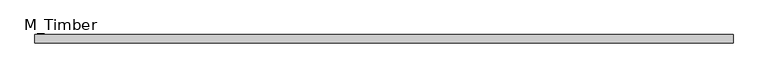
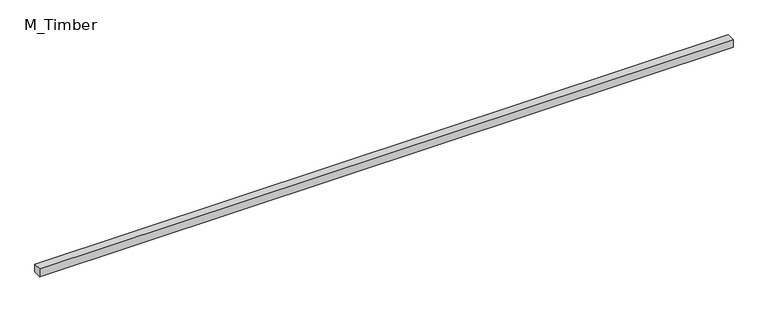
"""IFC4 building model written with IfcOpenShell, lengths in millimetres: beam geometry, M_Timber."""

from ifc_helpers import new_model, si_unit, frame, origin, place, context, project, spatial, polyline, outline, extrude, source, transform, mapped, element, save


def m_timber_6e2d3d8a(model_context):
    return source(origin(), model_context, "Body", "SweptSolid", [
        extrude(outline(polyline([(1674.1563173, 20.0), (1674.1563173, -20.0), (-1674.1563173, -20.0), (-1674.1563173, 20.0), (1674.1563173, 20.0)])), frame((0.0, 0.0, -20.0), z_axis=(0.0, 0.0, 1.0), x_axis=(1.0, 0.0, 0.0)), (0.0, 0.0, 1.0), 40.0),
    ])


if __name__ == "__main__":
    model = new_model("IFC4")
    model_context = context("Model", 3, world=origin())
    ifc_project = project(units=[si_unit("LENGTHUNIT", "METRE", prefix="MILLI")], contexts=[model_context])
    site = spatial("IfcSite", under=ifc_project)
    building = spatial("IfcBuilding", under=site)
    placement = place(None, origin())
    m_timber_shape = m_timber_6e2d3d8a(model_context)
    element("IfcBeam", 1, ObjectType="M_Timber", at=placement, inside=building, context=model_context, shape_type="MappedRepresentation", body=[
        mapped(m_timber_shape, transform((0.0, 0.0, 0.0), x_axis=(1.0, 0.0, 0.0), y_axis=(0.0, 1.0, 0.0), z_axis=(0.0, 0.0, 1.0))),
    ])
    save(model, "model.ifc")
